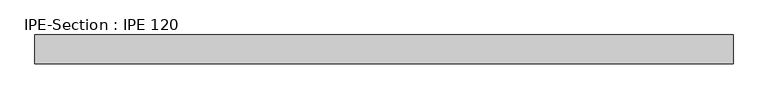
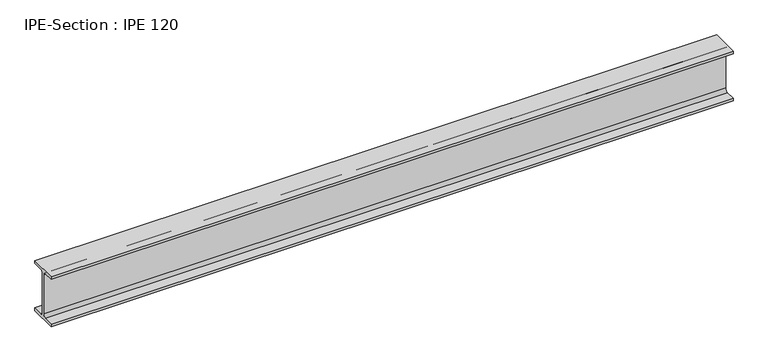
"""IFC4 building model written with IfcOpenShell, lengths in millimetres: beam geometry, IPE-Section : IPE 120."""

import ifcopenshell
import ifcopenshell.guid

model = None  # the IFC model being written
_history = None  # IfcOwnerHistory: only IFC2X3 demands one
_inside = {}  # id of a spatial element -> (the spatial element, [elements in it])
_under = {}  # id of a project, library or spatial element -> (it, [spatial elements below it])
_declared = {}  # id of a project -> (the project, [libraries it declares])
_typed = {}  # id of a type object -> (the type object, [elements of that type])
_made_of = {}  # id of a material, layer set ... -> (it, [elements and type objects made of it])


def new_model(schema):
    """Start an empty IFC model of exactly this schema.

    Asked for "IFC4X3", IfcOpenShell would pick the latest addendum, in which some entities
    have other attributes; the version numbers below select the first issue.
    IFC2X3 requires an IfcOwnerHistory on every rooted entity: one is made here for all.
    """
    global model, _history
    if schema == "IFC4X3":
        model = ifcopenshell.file(schema_version=(4, 3, 0, 0))
    else:
        model = ifcopenshell.file(schema=schema)
    _inside.clear()
    _under.clear()
    _declared.clear()
    _typed.clear()
    _made_of.clear()
    _history = None
    if model.schema == "IFC2X3":
        org = make("IfcOrganization", Name="unknown")
        user = make(
            "IfcPersonAndOrganization",
            ThePerson=make("IfcPerson", FamilyName="unknown"),
            TheOrganization=org,
        )
        app = make(
            "IfcApplication",
            ApplicationDeveloper=org,
            Version="unknown",
            ApplicationFullName="unknown",
            ApplicationIdentifier="unknown",
        )
        _history = make(
            "IfcOwnerHistory",
            OwningUser=user,
            OwningApplication=app,
            ChangeAction="ADDED",
            CreationDate=0,
        )
    return model


def make(cls, **values):
    """One entity of the class cls with the attributes given. An attribute that is None is left unset."""
    return model.create_entity(
        cls, **{name: value for name, value in values.items() if value is not None}
    )


def rooted(cls, **values):
    """An entity with a GlobalId (a new one), such as an element, a storey or a relation."""
    return make(cls, GlobalId=ifcopenshell.guid.new(), OwnerHistory=_history, **values)


def si_unit(unit_type, name, prefix=None):
    """IfcSIUnit, for example si_unit("LENGTHUNIT", "METRE", prefix="MILLI")."""
    return make("IfcSIUnit", UnitType=unit_type, Prefix=prefix, Name=name)


def assignment(units):
    """IfcUnitAssignment: the units of a project."""
    return None if units is None else make("IfcUnitAssignment", Units=units)


def point(xyz):
    """IfcCartesianPoint."""
    return None if xyz is None else make("IfcCartesianPoint", Coordinates=xyz)


def direction(xyz):
    """IfcDirection."""
    return None if xyz is None else make("IfcDirection", DirectionRatios=xyz)


def frame(location, z_axis=None, x_axis=None):
    """IfcAxis2Placement3D, a coordinate frame: its origin and axes. An axis left out is left unset."""
    return make(
        "IfcAxis2Placement3D",
        Location=point(location),
        Axis=direction(z_axis),
        RefDirection=direction(x_axis),
    )


def frame_2d(location, x_axis=None):
    """IfcAxis2Placement2D, a coordinate frame in the plane: its origin and x axis."""
    return make(
        "IfcAxis2Placement2D", Location=point(location), RefDirection=direction(x_axis)
    )


def origin():
    """The frame at (0, 0, 0) with its axes left unset."""
    return frame((0.0, 0.0, 0.0))


def place(relative_to, where):
    """IfcLocalPlacement: puts the frame where relative to a parent placement (None: the world)."""
    return make(
        "IfcLocalPlacement", PlacementRelTo=relative_to, RelativePlacement=where
    )


def context(
    kind, dimensions, precision=None, world=None, true_north=None, identifier=None
):
    """IfcGeometricRepresentationContext, for example the 3D "Model" context."""
    return make(
        "IfcGeometricRepresentationContext",
        ContextIdentifier=identifier,
        ContextType=kind,
        CoordinateSpaceDimension=dimensions,
        Precision=precision,
        WorldCoordinateSystem=world,
        TrueNorth=true_north,
    )


def project(units=None, contexts=None):
    """IfcProject with its units and contexts."""
    return rooted(
        "IfcProject",
        Name="project",
        RepresentationContexts=contexts,
        UnitsInContext=assignment(units),
    )


def spatial(cls, under=None, at=None, **own):
    """A site, building, storey or space (cls), placed at a placement, below another one or the project."""
    s = rooted(cls, ObjectPlacement=at, **own)
    if under is not None:
        _under.setdefault(under.id(), (under, []))[1].append(s)
    return s


def polyline(points):
    """IfcPolyline through the points."""
    return make("IfcPolyline", Points=[point(p) for p in points])


def circle_curve(where, radius):
    """IfcCircle in the frame where."""
    return make("IfcCircle", Position=where, Radius=radius)


def trimmed(basis, trim1, trim2, sense, master):
    """IfcTrimmedCurve: the piece of a basis curve between two trims."""
    return make(
        "IfcTrimmedCurve",
        BasisCurve=basis,
        Trim1=trim1,
        Trim2=trim2,
        SenseAgreement=sense,
        MasterRepresentation=master,
    )


def segment(curve, same_sense, transition):
    """IfcCompositeCurveSegment."""
    return make(
        "IfcCompositeCurveSegment",
        Transition=transition,
        SameSense=same_sense,
        ParentCurve=curve,
    )


def composite_curve(segments, self_intersect=None):
    """IfcCompositeCurve: segments joined end to end."""
    return make("IfcCompositeCurve", Segments=segments, SelfIntersect=self_intersect)


def outline(outer, holes=None, kind="AREA"):
    """IfcArbitraryClosedProfileDef: a profile drawn as a closed curve; with holes, ...WithVoids."""
    if holes is None:
        return make("IfcArbitraryClosedProfileDef", ProfileType=kind, OuterCurve=outer)
    return make(
        "IfcArbitraryProfileDefWithVoids",
        ProfileType=kind,
        OuterCurve=outer,
        InnerCurves=holes,
    )


def extrude(swept, where, along, depth):
    """IfcExtrudedAreaSolid: the profile swept, set in the frame where, extruded along a direction by depth."""
    return make(
        "IfcExtrudedAreaSolid",
        SweptArea=swept,
        Position=where,
        ExtrudedDirection=direction(along),
        Depth=depth,
    )


def shape(context_of_items, identifier, shape_type, items):
    """IfcShapeRepresentation: the items that make up one representation, for example the "Body"."""
    return make(
        "IfcShapeRepresentation",
        ContextOfItems=context_of_items,
        RepresentationIdentifier=identifier,
        RepresentationType=shape_type,
        Items=items,
    )


def source(mapping_origin, context_of_items, identifier, shape_type, items):
    """IfcRepresentationMap: a shape defined once, which mapped items show again and again."""
    return make(
        "IfcRepresentationMap",
        MappingOrigin=mapping_origin,
        MappedRepresentation=shape(context_of_items, identifier, shape_type, items),
    )


def transform(
    local_origin,
    x_axis=None,
    y_axis=None,
    z_axis=None,
    scale=None,
    scale2=None,
    scale3=None,
    uniform=True,
):
    """IfcCartesianTransformationOperator3D, or its non-uniform kind. x_axis, y_axis, z_axis: its Axis1, 2, 3."""
    if uniform:
        return make(
            "IfcCartesianTransformationOperator3D",
            Axis1=direction(x_axis),
            Axis2=direction(y_axis),
            LocalOrigin=point(local_origin),
            Scale=scale,
            Axis3=direction(z_axis),
        )
    return make(
        "IfcCartesianTransformationOperator3DnonUniform",
        Axis1=direction(x_axis),
        Axis2=direction(y_axis),
        LocalOrigin=point(local_origin),
        Scale=scale,
        Axis3=direction(z_axis),
        Scale2=scale2,
        Scale3=scale3,
    )


def mapped(mapping_source, mapping_target):
    """IfcMappedItem: shows the shape of a source again, moved by a transform."""
    return make(
        "IfcMappedItem", MappingSource=mapping_source, MappingTarget=mapping_target
    )


def made_of(thing, what):
    """Note that an element or type object is made of a material, layer set ...; save() writes the relation."""
    if what is not None:
        _made_of.setdefault(what.id(), (what, []))[1].append(thing)
    return thing


def element(
    cls,
    number,
    at=None,
    inside=None,
    cuts=None,
    type_object=None,
    material=None,
    context=None,
    identifier="Body",
    shape_type=None,
    held_by="IfcProductDefinitionShape",
    body=None,
    shapes=None,
    **own,
):
    """One element of the class cls, such as IfcWall. Its Tag is "e" and its number.

    at: its placement. inside: the storey or other place that contains it. cuts: it is an
    opening in that element (IfcRelVoidsElement). A single representation is given by context,
    identifier, shape_type and body (its items); several are given by shapes. held_by: the class
    of the entity that holds the representations. save() writes the other relations.
    """
    e = rooted(cls, Tag="e%d" % number, ObjectPlacement=at, **own)
    if body is not None:
        shapes = [shape(context, identifier, shape_type, body)]
    if shapes is not None:
        e.Representation = make(held_by, Representations=shapes)
    if inside is not None:
        _inside.setdefault(inside.id(), (inside, []))[1].append(e)
    if cuts is not None:
        rooted(
            "IfcRelVoidsElement", RelatingBuildingElement=cuts, RelatedOpeningElement=e
        )
    if type_object is not None:
        _typed.setdefault(type_object.id(), (type_object, []))[1].append(e)
    return made_of(e, material)


def aggregate(whole, parts):
    """IfcRelAggregates: a whole, such as a stair, and the parts it consists of."""
    return rooted("IfcRelAggregates", RelatingObject=whole, RelatedObjects=parts)


def save(model, path):
    """Write the relations noted so far, then the file.

    IfcRelAggregates (storeys below a building ...), IfcRelContainedInSpatialStructure (elements
    in a storey), IfcRelDefinesByType, IfcRelAssociatesMaterial and IfcRelDeclares: one each for
    every whole, place, type object, material and project.
    """
    for whole, parts in _under.values():
        aggregate(whole, parts)
    for where, things in _inside.values():
        rooted(
            "IfcRelContainedInSpatialStructure",
            RelatedElements=things,
            RelatingStructure=where,
        )
    for kind, things in _typed.values():
        rooted("IfcRelDefinesByType", RelatedObjects=things, RelatingType=kind)
    for what, things in _made_of.values():
        rooted("IfcRelAssociatesMaterial", RelatedObjects=things, RelatingMaterial=what)
    for by, libraries in _declared.values():
        rooted("IfcRelDeclares", RelatingContext=by, RelatedDefinitions=libraries)
    model.write(path)


def ipe_section_ipe_120_dc1477f8(model_context):
    return source(origin(), model_context, "Body", "SweptSolid", [
        extrude(outline(composite_curve([segment(polyline([(32.0, -53.7), (32.0, -60.0), (-32.0, -60.0), (-32.0, -53.7), (-9.2, -53.7)]), True, "CONTINUOUS"), segment(trimmed(circle_curve(frame_2d((-9.2, -46.7)), 7.0), [point((-9.2, -53.7))], [point((-2.2, -46.7))], True, "CARTESIAN"), True, "CONTINUOUS"), segment(polyline([(-2.2, -46.7), (-2.2, 46.7)]), True, "CONTINUOUS"), segment(trimmed(circle_curve(frame_2d((-9.2, 46.7)), 7.0), [point((-2.2, 46.7))], [point((-9.2, 53.7))], True, "CARTESIAN"), True, "CONTINUOUS"), segment(polyline([(-9.2, 53.7), (-32.0, 53.7), (-32.0, 60.0), (32.0, 60.0), (32.0, 53.7), (9.2, 53.7)]), True, "CONTINUOUS"), segment(trimmed(circle_curve(frame_2d((9.2, 46.7)), 7.0), [point((9.2, 53.7))], [point((2.2, 46.7))], True, "CARTESIAN"), True, "CONTINUOUS"), segment(polyline([(2.2, 46.7), (2.2, -46.7)]), True, "CONTINUOUS"), segment(trimmed(circle_curve(frame_2d((9.2, -46.7)), 7.0), [point((2.2, -46.7))], [point((9.2, -53.7))], True, "CARTESIAN"), True, "CONTINUOUS"), segment(polyline([(9.2, -53.7), (32.0, -53.7)]), True, "CONTINUOUS")], self_intersect=False)), frame((-754.8662664, 0.0, 0.0), z_axis=(1.0, 0.0, 0.0), x_axis=(0.0, 1.0, 0.0)), (0.0, 0.0, 1.0), 1553.1242532),
    ])


if __name__ == "__main__":
    model = new_model("IFC4")
    model_context = context("Model", 3, world=origin())
    ifc_project = project(units=[si_unit("LENGTHUNIT", "METRE", prefix="MILLI")], contexts=[model_context])
    site = spatial("IfcSite", under=ifc_project)
    building = spatial("IfcBuilding", under=site)
    placement = place(None, origin())
    ipe_section_ipe_120_shape = ipe_section_ipe_120_dc1477f8(model_context)
    element("IfcBeam", 1, ObjectType="IPE-Section : IPE 120", at=placement, inside=building, context=model_context, shape_type="MappedRepresentation", body=[
        mapped(ipe_section_ipe_120_shape, transform((0.0, 0.0, 0.0), x_axis=(1.0, 0.0, 0.0), y_axis=(0.0, 1.0, 0.0), z_axis=(0.0, 0.0, 1.0))),
    ])
    save(model, "model.ifc")
